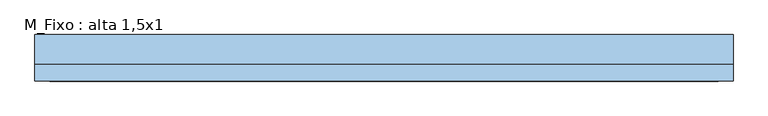
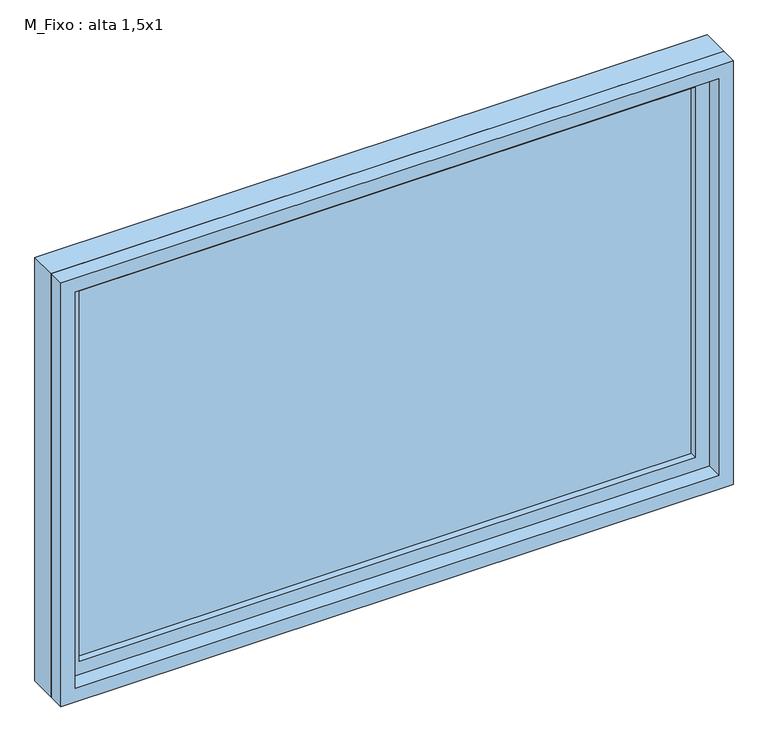
"""IFC4 building model written with IfcOpenShell, lengths in millimetres: window geometry, M_Fixo : alta 1,5x1."""

from ifc_helpers import new_model, si_unit, frame, origin, place, context, project, spatial, polyline, outline, extrude, source, transform, mapped, element, save


def m_fixo_alta_1_5x1_41e75c20(model_context):
    return source(origin(), model_context, "Body", "SweptSolid", [
        extrude(outline(polyline([(-687.0, 28.0), (687.0, 28.0), (687.0, 16.0), (-687.0, 16.0), (-687.0, 28.0)])), frame((0.0, 0.0, 1563.0), z_axis=(0.0, 0.0, 1.0), x_axis=(1.0, 0.0, 0.0)), (0.0, 0.0, 1.0), 874.0),
        extrude(outline(polyline([(2481.0, -731.0), (1519.0, -731.0), (1519.0, 731.0), (2481.0, 731.0), (2481.0, -731.0)]), holes=[polyline([(2437.0, -687.0), (2437.0, 687.0), (1563.0, 687.0), (1563.0, -687.0), (2437.0, -687.0)])]), frame((0.0, 0.0, 0.0), z_axis=(0.0, 1.0, 0.0), x_axis=(0.0, 0.0, 1.0)), (0.0, 0.0, 1.0), 44.0),
        extrude(outline(polyline([(2500.0, -750.0), (1500.0, -750.0), (1500.0, 750.0), (2500.0, 750.0), (2500.0, -750.0)]), holes=[polyline([(2481.0, -731.0), (2481.0, 731.0), (1519.0, 731.0), (1519.0, -731.0), (2481.0, -731.0)])]), frame((0.0, 0.0, 0.0), z_axis=(0.0, 1.0, 0.0), x_axis=(0.0, 0.0, 1.0)), (0.0, 0.0, 1.0), 63.0),
        extrude(outline(polyline([(2500.0, -750.0), (1500.0, -750.0), (1500.0, 750.0), (2500.0, 750.0), (2500.0, -750.0)]), holes=[polyline([(2468.0, -718.0), (2468.0, 718.0), (1532.0, 718.0), (1532.0, -718.0), (2468.0, -718.0)])]), frame((0.0, -37.0, 0.0), z_axis=(0.0, 1.0, 0.0), x_axis=(0.0, 0.0, 1.0)), (0.0, 0.0, 1.0), 37.0),
    ])


if __name__ == "__main__":
    model = new_model("IFC4")
    model_context = context("Model", 3, world=origin())
    ifc_project = project(units=[si_unit("LENGTHUNIT", "METRE", prefix="MILLI")], contexts=[model_context])
    site = spatial("IfcSite", under=ifc_project)
    building = spatial("IfcBuilding", under=site)
    placement = place(None, origin())
    m_fixo_alta_1_5x1_shape = m_fixo_alta_1_5x1_41e75c20(model_context)
    element("IfcWindow", 1, ObjectType="M_Fixo : alta 1,5x1", at=placement, inside=building, context=model_context, shape_type="MappedRepresentation", body=[
        mapped(m_fixo_alta_1_5x1_shape, transform((0.0, 0.0, 0.0), x_axis=(1.0, 0.0, 0.0), y_axis=(0.0, 1.0, 0.0), z_axis=(0.0, 0.0, 1.0))),
    ])
    save(model, "model.ifc")
